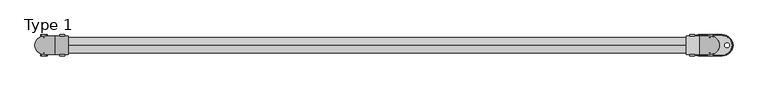
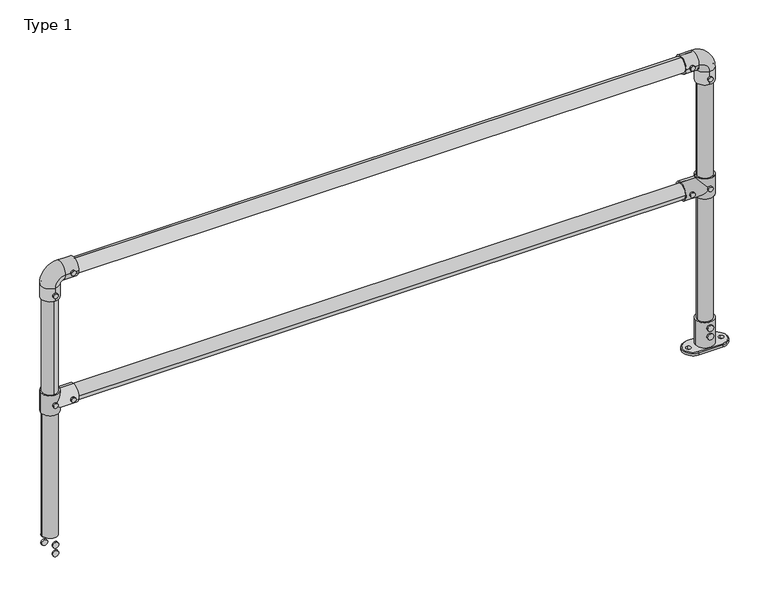
"""IFC4 building model written with IfcOpenShell, lengths in millimetres: proxy geometry, Type 1."""

from ifc_helpers import new_model, si_unit, point, frame, frame_2d, origin, origin_2d, place, context, project, spatial, polyline, circle_curve, ellipse_curve, trimmed, segment, composite_curve, outline, extrude, source, transform, mapped, element, save
from ifc_brep_helpers import plane_surface, cylinder_surface, revolved_surface, advanced_brep


def type_1_bad2e9cc(model_context):
    return source(origin(), model_context, "Body", "SolidModel", [
        extrude(outline(composite_curve([segment(trimmed(circle_curve(frame_2d((575.0, 2200.0)), 8.0), [point((575.0, 2208.0))], [point((575.0, 2192.0))], False, "CARTESIAN"), True, "CONTINUOUS"), segment(trimmed(circle_curve(frame_2d((575.0, 2200.0)), 8.0), [point((575.0, 2192.0))], [point((575.0, 2208.0))], False, "CARTESIAN"), True, "CONTINUOUS")], self_intersect=False)), frame((0.0, -35.0, 0.0), z_axis=(0.0, 1.0, 0.0), x_axis=(0.0, 0.0, 1.0)), (0.0, 0.0, 1.0), 5.0),
        extrude(outline(composite_curve([segment(trimmed(circle_curve(frame_2d((575.0, 2140.0)), 8.0), [point((575.0, 2148.0))], [point((575.0, 2132.0))], False, "CARTESIAN"), True, "CONTINUOUS"), segment(trimmed(circle_curve(frame_2d((575.0, 2140.0)), 8.0), [point((575.0, 2132.0))], [point((575.0, 2148.0))], False, "CARTESIAN"), True, "CONTINUOUS")], self_intersect=False)), frame((0.0, -35.0, 0.0), z_axis=(0.0, 1.0, 0.0), x_axis=(0.0, 0.0, 1.0)), (0.0, 0.0, 1.0), 5.0),
        extrude(outline(composite_curve([segment(trimmed(circle_curve(frame_2d((575.0, 2200.0)), 8.0), [point((575.0, 2208.0))], [point((575.0, 2192.0))], False, "CARTESIAN"), True, "CONTINUOUS"), segment(trimmed(circle_curve(frame_2d((575.0, 2200.0)), 8.0), [point((575.0, 2192.0))], [point((575.0, 2208.0))], False, "CARTESIAN"), True, "CONTINUOUS")], self_intersect=False)), frame((0.0, 30.0, 0.0), z_axis=(0.0, 1.0, 0.0), x_axis=(0.0, 0.0, 1.0)), (0.0, 0.0, 1.0), 5.0),
        extrude(outline(composite_curve([segment(trimmed(circle_curve(frame_2d((575.0, 2140.0)), 8.0), [point((575.0, 2148.0))], [point((575.0, 2132.0))], False, "CARTESIAN"), True, "CONTINUOUS"), segment(trimmed(circle_curve(frame_2d((575.0, 2140.0)), 8.0), [point((575.0, 2132.0))], [point((575.0, 2148.0))], False, "CARTESIAN"), True, "CONTINUOUS")], self_intersect=False)), frame((0.0, 30.0, 0.0), z_axis=(0.0, 1.0, 0.0), x_axis=(0.0, 0.0, 1.0)), (0.0, 0.0, 1.0), 5.0),
        advanced_brep(
        [(2230.0, 0.0, 610.0), (2170.0, 0.0, 610.0), (2200.0, 25.0, 610.0), (2200.0, -25.0, 610.0), (2230.0, 0.0, 540.0), (2170.0, 0.0, 540.0), (2200.0, -25.0, 540.0), (2200.0, 25.0, 540.0), (2170.0, 0.0, 545.0), (2200.0, 30.0, 575.0), (2170.0, 0.0, 605.0), (2200.0, -30.0, 575.0), (2120.0, 0.0, 545.0), (2120.0, 0.0, 605.0), (2120.0, 0.0, 600.0), (2120.0, 0.0, 550.0), (2175.0, 0.0, 600.0), (2200.0, -25.0, 575.0), (2175.0, 0.0, 550.0), (2200.0, 25.0, 575.0)],
        [
            (0, 1, circle_curve(frame((2200.0, 0.0, 610.0), z_axis=(0.0, 0.0, 1.0), x_axis=(-1.0, 0.0, 0.0)), 30.0)),
            (1, 0, circle_curve(frame((2200.0, 0.0, 610.0), z_axis=(0.0, 0.0, 1.0), x_axis=(-1.0, 0.0, 0.0)), 30.0)),
            (2, 3, circle_curve(frame((2200.0, 0.0, 610.0), z_axis=(0.0, 0.0, -1.0), x_axis=(0.0, -1.0, 0.0)), 25.0)),
            (3, 2, circle_curve(frame((2200.0, 0.0, 610.0), z_axis=(0.0, 0.0, -1.0), x_axis=(0.0, -1.0, 0.0)), 25.0)),
            (4, 5, circle_curve(frame((2200.0, 0.0, 540.0), z_axis=(0.0, 0.0, -1.0), x_axis=(-1.0, 0.0, 0.0)), 30.0)),
            (5, 4, circle_curve(frame((2200.0, 0.0, 540.0), z_axis=(0.0, 0.0, -1.0), x_axis=(-1.0, 0.0, 0.0)), 30.0)),
            (6, 7, circle_curve(frame((2200.0, 0.0, 540.0), z_axis=(0.0, 0.0, 1.0), x_axis=(0.0, -1.0, 0.0)), 25.0)),
            (7, 6, circle_curve(frame((2200.0, 0.0, 540.0), z_axis=(0.0, 0.0, 1.0), x_axis=(0.0, -1.0, 0.0)), 25.0)),
            (0, 4),
            (5, 8),
            (8, 9, ellipse_curve(frame((2200.0, 0.0, 575.0), z_axis=(0.7071067811865458, 0.0, -0.7071067811865492), x_axis=(0.7071067811865492, 0.0, 0.7071067811865458)), 42.4264069, 30.0)),
            (9, 10, ellipse_curve(frame((2200.0, 0.0, 575.0), z_axis=(0.7071067811865492, 0.0, 0.7071067811865458), x_axis=(-0.7071067811865458, 0.0, 0.7071067811865492)), 42.4264069, 30.0)),
            (10, 1),
            (10, 11, ellipse_curve(frame((2200.0, 0.0, 575.0), z_axis=(0.7071067811865492, 0.0, 0.7071067811865458), x_axis=(-0.7071067811865458, 0.0, 0.7071067811865492)), 42.4264069, 30.0)),
            (11, 8, ellipse_curve(frame((2200.0, 0.0, 575.0), z_axis=(0.7071067811865458, 0.0, -0.7071067811865492), x_axis=(0.7071067811865492, 0.0, 0.7071067811865458)), 42.4264069, 30.0)),
            (12, 13, circle_curve(frame((2120.0, 0.0, 575.0), z_axis=(-1.0, 0.0, 0.0), x_axis=(0.0, 0.0, 1.0)), 30.0)),
            (13, 12, circle_curve(frame((2120.0, 0.0, 575.0), z_axis=(-1.0, 0.0, 0.0), x_axis=(0.0, 0.0, 1.0)), 30.0)),
            (14, 15, circle_curve(frame((2120.0, 0.0, 575.0), z_axis=(1.0, 0.0, 0.0), x_axis=(0.0, 0.0, -1.0)), 25.0)),
            (15, 14, circle_curve(frame((2120.0, 0.0, 575.0), z_axis=(1.0, 0.0, 0.0), x_axis=(0.0, 0.0, -1.0)), 25.0)),
            (12, 8),
            (10, 13),
            (14, 16),
            (16, 17, ellipse_curve(frame((2200.0, 0.0, 575.0), z_axis=(0.7071067811865492, 0.0, 0.7071067811865458), x_axis=(0.7071067811865458, 0.0, -0.7071067811865492)), 35.3553391, 25.0)),
            (17, 18, ellipse_curve(frame((2200.0, 0.0, 575.0), z_axis=(0.7071067811865458, 0.0, -0.7071067811865492), x_axis=(0.7071067811865492, 0.0, 0.7071067811865457)), 35.3553391, 25.0)),
            (18, 15),
            (18, 19, ellipse_curve(frame((2200.0, 0.0, 575.0), z_axis=(0.7071067811865458, 0.0, -0.7071067811865492), x_axis=(0.7071067811865492, 0.0, 0.7071067811865457)), 35.3553391, 25.0)),
            (19, 16, ellipse_curve(frame((2200.0, 0.0, 575.0), z_axis=(0.7071067811865492, 0.0, 0.7071067811865458), x_axis=(0.7071067811865458, 0.0, -0.7071067811865492)), 35.3553391, 25.0)),
            (2, 19),
            (19, 7),
            (6, 17),
            (17, 3),
        ],
        [
            plane_surface(frame((2170.0, 0.0, 610.0), z_axis=(0.0, 0.0, 1.0), x_axis=(0.0, -1.0, 0.0))),
            plane_surface(frame((2170.0, 0.0, 540.0), z_axis=(0.0, 0.0, -1.0), x_axis=(0.0, 1.0, 0.0))),
            cylinder_surface(frame((2200.0, 0.0, 540.0), z_axis=(0.0, 0.0, 1.0), x_axis=(-1.0, 0.0, 0.0)), 30.0),
            plane_surface(frame((2120.0, 0.0, 605.0), z_axis=(-1.0, 0.0, 0.0), x_axis=(0.0, 1.0, 0.0))),
            cylinder_surface(frame((2200.0, 0.0, 575.0), z_axis=(-1.0, 0.0, 0.0), x_axis=(0.0, 0.0, 1.0)), 30.0),
            revolved_surface(polyline([(2225.00000002876, 0.0, 550.0), (2120.0, 0.0, 550.0)]), (2120.0, 0.0, 575.0), (1.0, 0.0, 0.0)),
            revolved_surface(polyline([(2200.0, -25.0, 540.0), (2200.0, -25.0, 610.0)]), (2200.0, 0.0, 610.0), (0.0, 0.0, -1.0)),
            revolved_surface(polyline([(2200.0, -25.0, 549.9999999712401), (2200.0, -25.0, 610.0)]), (2200.0, 0.0, 610.0), (0.0, 0.0, -1.0)),
            revolved_surface(polyline([(2200.0, -25.0, 540.0), (2200.0, -25.0, 600.0000000287598)]), (2200.0, 0.0, 610.0), (0.0, 0.0, -1.0)),
        ],
        [
            (0, [[1, 2], [3, 4]]),
            (1, [[5, 6], [7, 8]]),
            (2, [[-1, 9, -6, 10, 11, 12, 13]]),
            (2, [[-2, -13, 14, 15, -10, -5, -9]]),
            (3, [[16, 17], [18, 19]]),
            (4, [[-16, 20, -15, -14, 21]]),
            (4, [[-17, -21, -12, -11, -20]]),
            (5, [[-18, 22, 23, 24, 25]]),
            (5, [[-19, -25, 26, 27, -22]]),
            (6, [[28, 29, -7, 30, 31, -3]]),
            (7, [[-28, -4, -31, -23, -27]]),
            (8, [[-29, -26, -24, -30, -8]]),
        ],
    ),
        extrude(outline(composite_curve([segment(trimmed(circle_curve(frame_2d((575.0, 0.0)), 8.0), [point((575.0, -8.0))], [point((575.0, 8.0))], False, "CARTESIAN"), True, "CONTINUOUS"), segment(trimmed(circle_curve(frame_2d((575.0, 0.0)), 8.0), [point((575.0, 8.0))], [point((575.0, -8.0))], False, "CARTESIAN"), True, "CONTINUOUS")], self_intersect=False)), frame((0.0, -35.0, 0.0), z_axis=(0.0, 1.0, 0.0), x_axis=(0.0, 0.0, 1.0)), (0.0, 0.0, 1.0), 5.0),
        extrude(outline(composite_curve([segment(trimmed(circle_curve(frame_2d((575.0, 60.0)), 8.0), [point((575.0, 52.0))], [point((575.0, 68.0))], False, "CARTESIAN"), True, "CONTINUOUS"), segment(trimmed(circle_curve(frame_2d((575.0, 60.0)), 8.0), [point((575.0, 68.0))], [point((575.0, 52.0))], False, "CARTESIAN"), True, "CONTINUOUS")], self_intersect=False)), frame((0.0, -35.0, 0.0), z_axis=(0.0, 1.0, 0.0), x_axis=(0.0, 0.0, 1.0)), (0.0, 0.0, 1.0), 5.0),
        extrude(outline(composite_curve([segment(trimmed(circle_curve(frame_2d((575.0, 0.0)), 8.0), [point((575.0, -8.0))], [point((575.0, 8.0))], False, "CARTESIAN"), True, "CONTINUOUS"), segment(trimmed(circle_curve(frame_2d((575.0, 0.0)), 8.0), [point((575.0, 8.0))], [point((575.0, -8.0))], False, "CARTESIAN"), True, "CONTINUOUS")], self_intersect=False)), frame((0.0, 30.0, 0.0), z_axis=(0.0, 1.0, 0.0), x_axis=(0.0, 0.0, 1.0)), (0.0, 0.0, 1.0), 5.0),
        extrude(outline(composite_curve([segment(trimmed(circle_curve(frame_2d((575.0, 60.0)), 8.0), [point((575.0, 52.0))], [point((575.0, 68.0))], False, "CARTESIAN"), True, "CONTINUOUS"), segment(trimmed(circle_curve(frame_2d((575.0, 60.0)), 8.0), [point((575.0, 68.0))], [point((575.0, 52.0))], False, "CARTESIAN"), True, "CONTINUOUS")], self_intersect=False)), frame((0.0, 30.0, 0.0), z_axis=(0.0, 1.0, 0.0), x_axis=(0.0, 0.0, 1.0)), (0.0, 0.0, 1.0), 5.0),
        advanced_brep(
        [(-30.0, 0.0, 610.0), (30.0, 0.0, 610.0), (0.0, 25.0, 610.0), (0.0, -25.0, 610.0), (-30.0, 0.0, 540.0), (30.0, 0.0, 540.0), (0.0, -25.0, 540.0), (0.0, 25.0, 540.0), (30.0, 0.0, 605.0), (0.0, 30.0, 575.0), (30.0, 0.0, 545.0), (0.0, -30.0, 575.0), (80.0, 0.0, 545.0), (80.0, 0.0, 605.0), (80.0, 0.0, 600.0), (80.0, 0.0, 550.0), (25.0, 0.0, 550.0), (0.0, -25.0, 575.0), (25.0, 0.0, 600.0), (0.0, 25.0, 575.0)],
        [
            (0, 1, circle_curve(frame((0.0, 0.0, 610.0), z_axis=(0.0, 0.0, 1.0), x_axis=(1.0, 0.0, 0.0)), 30.0)),
            (1, 0, circle_curve(frame((0.0, 0.0, 610.0), z_axis=(0.0, 0.0, 1.0), x_axis=(1.0, 0.0, 0.0)), 30.0)),
            (2, 3, circle_curve(frame((0.0, 0.0, 610.0), z_axis=(0.0, 0.0, -1.0), x_axis=(0.0, -1.0, 0.0)), 25.0)),
            (3, 2, circle_curve(frame((0.0, 0.0, 610.0), z_axis=(0.0, 0.0, -1.0), x_axis=(0.0, -1.0, 0.0)), 25.0)),
            (4, 5, circle_curve(frame((0.0, 0.0, 540.0), z_axis=(0.0, 0.0, -1.0), x_axis=(1.0, 0.0, 0.0)), 30.0)),
            (5, 4, circle_curve(frame((0.0, 0.0, 540.0), z_axis=(0.0, 0.0, -1.0), x_axis=(1.0, 0.0, 0.0)), 30.0)),
            (6, 7, circle_curve(frame((0.0, 0.0, 540.0), z_axis=(0.0, 0.0, 1.0), x_axis=(0.0, -1.0, 0.0)), 25.0)),
            (7, 6, circle_curve(frame((0.0, 0.0, 540.0), z_axis=(0.0, 0.0, 1.0), x_axis=(0.0, -1.0, 0.0)), 25.0)),
            (1, 8),
            (8, 9, ellipse_curve(frame((0.0, 0.0, 575.0), z_axis=(-0.7071067811865447, 0.0, 0.7071067811865503), x_axis=(0.7071067811865503, 0.0, 0.7071067811865447)), 42.4264069, 30.0)),
            (9, 10, ellipse_curve(frame((0.0, 0.0, 575.0), z_axis=(-0.7071067811865503, 0.0, -0.7071067811865447), x_axis=(-0.7071067811865447, 0.0, 0.7071067811865503)), 42.4264069, 30.0)),
            (10, 5),
            (4, 0),
            (10, 11, ellipse_curve(frame((0.0, 0.0, 575.0), z_axis=(-0.7071067811865503, 0.0, -0.7071067811865447), x_axis=(-0.7071067811865447, 0.0, 0.7071067811865503)), 42.4264069, 30.0)),
            (11, 8, ellipse_curve(frame((0.0, 0.0, 575.0), z_axis=(-0.7071067811865447, 0.0, 0.7071067811865503), x_axis=(0.7071067811865503, 0.0, 0.7071067811865447)), 42.4264069, 30.0)),
            (12, 13, circle_curve(frame((80.0, 0.0, 575.0), z_axis=(1.0, 0.0, 0.0), x_axis=(0.0, 0.0, 1.0)), 30.0)),
            (13, 12, circle_curve(frame((80.0, 0.0, 575.0), z_axis=(1.0, 0.0, 0.0), x_axis=(0.0, 0.0, 1.0)), 30.0)),
            (14, 15, circle_curve(frame((80.0, 0.0, 575.0), z_axis=(-1.0, 0.0, 0.0), x_axis=(0.0, 0.0, -1.0)), 25.0)),
            (15, 14, circle_curve(frame((80.0, 0.0, 575.0), z_axis=(-1.0, 0.0, 0.0), x_axis=(0.0, 0.0, -1.0)), 25.0)),
            (13, 8),
            (10, 12),
            (15, 16),
            (16, 17, ellipse_curve(frame((0.0, 0.0, 575.0), z_axis=(-0.7071067811865503, 0.0, -0.7071067811865447), x_axis=(-0.7071067811865447, 0.0, 0.7071067811865503)), 35.3553391, 25.0)),
            (17, 18, ellipse_curve(frame((0.0, 0.0, 575.0), z_axis=(-0.7071067811865447, 0.0, 0.7071067811865503), x_axis=(-0.7071067811865503, 0.0, -0.7071067811865447)), 35.3553391, 25.0)),
            (18, 14),
            (18, 19, ellipse_curve(frame((0.0, 0.0, 575.0), z_axis=(-0.7071067811865447, 0.0, 0.7071067811865503), x_axis=(-0.7071067811865503, 0.0, -0.7071067811865447)), 35.3553391, 25.0)),
            (19, 16, ellipse_curve(frame((0.0, 0.0, 575.0), z_axis=(-0.7071067811865503, 0.0, -0.7071067811865447), x_axis=(-0.7071067811865447, 0.0, 0.7071067811865503)), 35.3553391, 25.0)),
            (3, 17),
            (17, 6),
            (7, 19),
            (19, 2),
        ],
        [
            plane_surface(frame((30.0, 0.0, 610.0), z_axis=(0.0, 0.0, 1.0), x_axis=(0.0, -1.0, 0.0))),
            plane_surface(frame((30.0, 0.0, 540.0), z_axis=(0.0, 0.0, -1.0), x_axis=(0.0, 1.0, 0.0))),
            cylinder_surface(frame((0.0, 0.0, 540.0), z_axis=(0.0, 0.0, 1.0), x_axis=(1.0, 0.0, 0.0)), 30.0),
            plane_surface(frame((80.0, 0.0, 605.0), z_axis=(1.0, 0.0, 0.0), x_axis=(0.0, 1.0, 0.0))),
            cylinder_surface(frame((0.0, 0.0, 575.0), z_axis=(1.0, 0.0, 0.0), x_axis=(0.0, 0.0, 1.0)), 30.0),
            revolved_surface(polyline([(-25.000000028759985, 0.0, 550.0), (80.0, 0.0, 550.0)]), (80.0, 0.0, 575.0), (-1.0, 0.0, 0.0)),
            revolved_surface(polyline([(0.0, -25.0, 540.0), (0.0, -25.0, 610.0)]), (0.0, 0.0, 610.0), (0.0, 0.0, -1.0)),
            revolved_surface(polyline([(0.0, -25.0, 540.0), (0.0, -25.0, 600.00000002876)]), (0.0, 0.0, 610.0), (0.0, 0.0, -1.0)),
            revolved_surface(polyline([(0.0, -25.0, 549.9999999712402), (0.0, -25.0, 610.0)]), (0.0, 0.0, 610.0), (0.0, 0.0, -1.0)),
        ],
        [
            (0, [[1, 2], [3, 4]]),
            (1, [[5, 6], [7, 8]]),
            (2, [[9, 10, 11, 12, -5, 13, -2]]),
            (2, [[-13, -6, -12, 14, 15, -9, -1]]),
            (3, [[16, 17], [18, 19]]),
            (4, [[20, -15, -14, 21, -17]]),
            (4, [[-21, -11, -10, -20, -16]]),
            (5, [[22, 23, 24, 25, -19]]),
            (5, [[-25, 26, 27, -22, -18]]),
            (6, [[-4, 28, 29, -8, 30, 31]]),
            (7, [[-7, -29, -23, -27, -30]]),
            (8, [[-26, -24, -28, -3, -31]]),
        ],
    ),
        extrude(outline(composite_curve([segment(trimmed(circle_curve(frame_2d((1025.0, 2140.0)), 8.0), [point((1025.0, 2148.0))], [point((1025.0, 2132.0))], False, "CARTESIAN"), True, "CONTINUOUS"), segment(trimmed(circle_curve(frame_2d((1025.0, 2140.0)), 8.0), [point((1025.0, 2132.0))], [point((1025.0, 2148.0))], False, "CARTESIAN"), True, "CONTINUOUS")], self_intersect=False)), frame((0.0, 30.0, 0.0), z_axis=(0.0, 1.0, 0.0), x_axis=(0.0, 0.0, 1.0)), (0.0, 0.0, 1.0), 5.0),
        extrude(outline(composite_curve([segment(trimmed(circle_curve(frame_2d((965.0, 2200.0)), 8.0), [point((965.0, 2208.0))], [point((965.0, 2192.0))], False, "CARTESIAN"), True, "CONTINUOUS"), segment(trimmed(circle_curve(frame_2d((965.0, 2200.0)), 8.0), [point((965.0, 2192.0))], [point((965.0, 2208.0))], False, "CARTESIAN"), True, "CONTINUOUS")], self_intersect=False)), frame((0.0, 30.0, 0.0), z_axis=(0.0, 1.0, 0.0), x_axis=(0.0, 0.0, 1.0)), (0.0, 0.0, 1.0), 5.0),
        extrude(outline(composite_curve([segment(trimmed(circle_curve(frame_2d((1025.0, 2140.0)), 8.0), [point((1025.0, 2148.0))], [point((1025.0, 2132.0))], False, "CARTESIAN"), True, "CONTINUOUS"), segment(trimmed(circle_curve(frame_2d((1025.0, 2140.0)), 8.0), [point((1025.0, 2132.0))], [point((1025.0, 2148.0))], False, "CARTESIAN"), True, "CONTINUOUS")], self_intersect=False)), frame((0.0, -35.0, 0.0), z_axis=(0.0, 1.0, 0.0), x_axis=(0.0, 0.0, 1.0)), (0.0, 0.0, 1.0), 5.0),
        extrude(outline(composite_curve([segment(trimmed(circle_curve(frame_2d((965.0, 2200.0)), 8.0), [point((965.0, 2208.0))], [point((965.0, 2192.0))], False, "CARTESIAN"), True, "CONTINUOUS"), segment(trimmed(circle_curve(frame_2d((965.0, 2200.0)), 8.0), [point((965.0, 2192.0))], [point((965.0, 2208.0))], False, "CARTESIAN"), True, "CONTINUOUS")], self_intersect=False)), frame((0.0, -35.0, 0.0), z_axis=(0.0, 1.0, 0.0), x_axis=(0.0, 0.0, 1.0)), (0.0, 0.0, 1.0), 5.0),
        advanced_brep(
        [(2200.0, -30.0, 945.0), (2200.0, 30.0, 945.0), (2200.0, -25.0, 945.0), (2200.0, 25.0, 945.0), (2200.0, 30.0, 990.0), (2200.0, -30.0, 990.0), (2165.0, 30.0, 1025.0), (2165.0, -30.0, 1025.0), (2120.0, -30.0, 1025.0), (2120.0, 30.0, 1025.0), (2120.0, -25.0, 1025.0), (2120.0, 25.0, 1025.0), (2200.0, 25.0, 990.0), (2200.0, -25.0, 990.0), (2165.0, 25.0, 1025.0), (2165.0, -25.0, 1025.0)],
        [
            (0, 1, circle_curve(frame((2200.0, 0.0, 945.0), z_axis=(0.0, 0.0, -1.0), x_axis=(0.0, 1.0, 0.0)), 30.0)),
            (1, 0, circle_curve(frame((2200.0, 0.0, 945.0), z_axis=(0.0, 0.0, -1.0), x_axis=(0.0, 1.0, 0.0)), 30.0)),
            (2, 3, circle_curve(frame((2200.0, 0.0, 945.0), z_axis=(0.0, 0.0, 1.0), x_axis=(0.0, 1.0, 0.0)), 25.0)),
            (3, 2, circle_curve(frame((2200.0, 0.0, 945.0), z_axis=(0.0, 0.0, 1.0), x_axis=(0.0, 1.0, 0.0)), 25.0)),
            (1, 4),
            (4, 5, circle_curve(frame((2200.0, 0.0, 990.0), z_axis=(0.0, 0.0, -1.0), x_axis=(0.0, 1.0, 0.0)), 30.0)),
            (5, 0),
            (5, 4, circle_curve(frame((2200.0, 0.0, 990.0), z_axis=(0.0, 0.0, -1.0), x_axis=(0.0, 1.0, 0.0)), 30.0)),
            (6, 7, circle_curve(frame((2165.0, 0.0, 1025.0), z_axis=(1.0, 0.0, 0.0), x_axis=(0.0, 1.0, 0.0)), 30.0)),
            (7, 5, circle_curve(frame((2165.0, -30.0, 990.0), z_axis=(0.0, 1.0, 0.0), x_axis=(1.0, 0.0, 0.0)), 35.0)),
            (4, 6, circle_curve(frame((2165.0, 30.0, 990.0), z_axis=(0.0, -1.0, 0.0), x_axis=(1.0, 0.0, 0.0)), 35.0)),
            (7, 6, circle_curve(frame((2165.0, 0.0, 1025.0), z_axis=(1.0, 0.0, 0.0), x_axis=(0.0, 1.0, 0.0)), 30.0)),
            (8, 9, circle_curve(frame((2120.0, 0.0, 1025.0), z_axis=(-1.0, 0.0, 0.0), x_axis=(0.0, 1.0, 0.0)), 30.0)),
            (9, 8, circle_curve(frame((2120.0, 0.0, 1025.0), z_axis=(-1.0, 0.0, 0.0), x_axis=(0.0, 1.0, 0.0)), 30.0)),
            (10, 11, circle_curve(frame((2120.0, 0.0, 1025.0), z_axis=(1.0, 0.0, 0.0), x_axis=(0.0, 1.0, 0.0)), 25.0)),
            (11, 10, circle_curve(frame((2120.0, 0.0, 1025.0), z_axis=(1.0, 0.0, 0.0), x_axis=(0.0, 1.0, 0.0)), 25.0)),
            (6, 9),
            (8, 7),
            (3, 12),
            (12, 13, circle_curve(frame((2200.0, 0.0, 990.0), z_axis=(0.0, 0.0, 1.0), x_axis=(0.0, 1.0, 0.0)), 25.0)),
            (13, 2),
            (13, 12, circle_curve(frame((2200.0, 0.0, 990.0), z_axis=(0.0, 0.0, 1.0), x_axis=(0.0, 1.0, 0.0)), 25.0)),
            (14, 15, circle_curve(frame((2165.0, 0.0, 1025.0), z_axis=(-1.0, 0.0, 0.0), x_axis=(0.0, 1.0, 0.0)), 25.0)),
            (15, 13, circle_curve(frame((2165.0, -25.0, 990.0), z_axis=(0.0, 1.0, 0.0), x_axis=(1.0, 0.0, 0.0)), 35.0)),
            (12, 14, circle_curve(frame((2165.0, 25.0, 990.0), z_axis=(0.0, -1.0, 0.0), x_axis=(1.0, 0.0, 0.0)), 35.0)),
            (15, 14, circle_curve(frame((2165.0, 0.0, 1025.0), z_axis=(-1.0, 0.0, 0.0), x_axis=(0.0, 1.0, 0.0)), 25.0)),
            (14, 11),
            (10, 15),
        ],
        [
            plane_surface(frame((2170.0, 0.0, 945.0), z_axis=(0.0, 0.0, -1.0), x_axis=(0.0, -1.0, 0.0))),
            cylinder_surface(frame((2200.0, 0.0, 945.0), z_axis=(0.0, 0.0, -1.0), x_axis=(0.0, 1.0, 0.0)), 30.0),
            revolved_surface(trimmed(ellipse_curve(frame((2200.0, 0.0, 990.0), z_axis=(0.0, 0.0, 1.0), x_axis=(0.0, 1.0, 0.0)), 30.0, 30.0), [point((2200.0, -30.0, 990.0))], [point((2200.0, 30.0, 990.0))], True, "CARTESIAN"), (2165.0, 0.0, 990.0), (0.0, 1.0, 0.0)),
            revolved_surface(trimmed(ellipse_curve(frame((2200.0, 0.0, 990.0), z_axis=(0.0, 0.0, 1.0), x_axis=(0.0, 1.0, 0.0)), 30.0, 30.0), [point((2200.0, 30.0, 990.0))], [point((2200.0, -30.0, 990.0))], True, "CARTESIAN"), (2165.0, 0.0, 990.0), (0.0, 1.0, 0.0)),
            plane_surface(frame((2120.0, 0.0, 995.0), z_axis=(-1.0, 0.0, 0.0), x_axis=(0.0, -1.0, 0.0))),
            cylinder_surface(frame((2165.0, 0.0, 1025.0), z_axis=(1.0, 0.0, 0.0), x_axis=(0.0, 1.0, 0.0)), 30.0),
            revolved_surface(polyline([(2200.0, 25.0, 990.0), (2200.0, 25.0, 945.0)]), (2200.0, 0.0, 945.0), (0.0, 0.0, 1.0)),
            revolved_surface(trimmed(ellipse_curve(frame((2200.0, 0.0, 990.0), z_axis=(0.0, 0.0, -1.0), x_axis=(0.0, 1.0, 0.0)), 25.0, 25.0), [point((2200.0, -25.0, 990.0))], [point((2200.0, 25.0, 990.0))], True, "CARTESIAN"), (2165.0, 0.0, 990.0), (0.0, 1.0, 0.0)),
            revolved_surface(trimmed(ellipse_curve(frame((2200.0, 0.0, 990.0), z_axis=(0.0, 0.0, -1.0), x_axis=(0.0, 1.0, 0.0)), 25.0, 25.0), [point((2200.0, 25.0, 990.0))], [point((2200.0, -25.0, 990.0))], True, "CARTESIAN"), (2165.0, 0.0, 990.0), (0.0, 1.0, 0.0)),
            revolved_surface(polyline([(2120.0, 25.0, 1025.0), (2165.0, 25.0, 1025.0)]), (2165.0, 0.0, 1025.0), (-1.0, 0.0, 0.0)),
        ],
        [
            (0, [[1, 2], [3, 4]]),
            (1, [[5, 6, 7, -2]]),
            (1, [[-7, 8, -5, -1]]),
            (2, [[9, 10, -6, 11]]),
            (3, [[12, -11, -8, -10]]),
            (4, [[13, 14], [15, 16]]),
            (5, [[17, -13, 18, -9]]),
            (5, [[-18, -14, -17, -12]]),
            (6, [[19, 20, 21, -4]]),
            (6, [[-21, 22, -19, -3]]),
            (7, [[23, 24, -20, 25]]),
            (8, [[26, -25, -22, -24]]),
            (9, [[27, -15, 28, -23]]),
            (9, [[-28, -16, -27, -26]]),
        ],
    ),
        extrude(outline(composite_curve([segment(trimmed(circle_curve(frame_2d((1025.0, 60.0)), 8.0), [point((1025.0, 52.0))], [point((1025.0, 68.0))], False, "CARTESIAN"), True, "CONTINUOUS"), segment(trimmed(circle_curve(frame_2d((1025.0, 60.0)), 8.0), [point((1025.0, 68.0))], [point((1025.0, 52.0))], False, "CARTESIAN"), True, "CONTINUOUS")], self_intersect=False)), frame((0.0, 30.0, 0.0), z_axis=(0.0, 1.0, 0.0), x_axis=(0.0, 0.0, 1.0)), (0.0, 0.0, 1.0), 5.0),
        extrude(outline(composite_curve([segment(trimmed(circle_curve(frame_2d((965.0, 0.0)), 8.0), [point((965.0, -8.0))], [point((965.0, 8.0))], False, "CARTESIAN"), True, "CONTINUOUS"), segment(trimmed(circle_curve(frame_2d((965.0, 0.0)), 8.0), [point((965.0, 8.0))], [point((965.0, -8.0))], False, "CARTESIAN"), True, "CONTINUOUS")], self_intersect=False)), frame((0.0, 30.0, 0.0), z_axis=(0.0, 1.0, 0.0), x_axis=(0.0, 0.0, 1.0)), (0.0, 0.0, 1.0), 5.0),
        extrude(outline(composite_curve([segment(trimmed(circle_curve(frame_2d((1025.0, 60.0)), 8.0), [point((1025.0, 52.0))], [point((1025.0, 68.0))], False, "CARTESIAN"), True, "CONTINUOUS"), segment(trimmed(circle_curve(frame_2d((1025.0, 60.0)), 8.0), [point((1025.0, 68.0))], [point((1025.0, 52.0))], False, "CARTESIAN"), True, "CONTINUOUS")], self_intersect=False)), frame((0.0, -35.0, 0.0), z_axis=(0.0, 1.0, 0.0), x_axis=(0.0, 0.0, 1.0)), (0.0, 0.0, 1.0), 5.0),
        extrude(outline(composite_curve([segment(trimmed(circle_curve(frame_2d((965.0, 0.0)), 8.0), [point((965.0, -8.0))], [point((965.0, 8.0))], False, "CARTESIAN"), True, "CONTINUOUS"), segment(trimmed(circle_curve(frame_2d((965.0, 0.0)), 8.0), [point((965.0, 8.0))], [point((965.0, -8.0))], False, "CARTESIAN"), True, "CONTINUOUS")], self_intersect=False)), frame((0.0, -35.0, 0.0), z_axis=(0.0, 1.0, 0.0), x_axis=(0.0, 0.0, 1.0)), (0.0, 0.0, 1.0), 5.0),
        advanced_brep(
        [(0.0, -30.0, 945.0), (0.0, 30.0, 945.0), (0.0, -25.0, 945.0), (0.0, 25.0, 945.0), (0.0, -30.0, 990.0), (0.0, 30.0, 990.0), (35.0, 30.0, 1025.0), (35.0, -30.0, 1025.0), (80.0, -30.0, 1025.0), (80.0, 30.0, 1025.0), (80.0, -25.0, 1025.0), (80.0, 25.0, 1025.0), (0.0, -25.0, 990.0), (0.0, 25.0, 990.0), (35.0, 25.0, 1025.0), (35.0, -25.0, 1025.0)],
        [
            (0, 1, circle_curve(frame((0.0, 0.0, 945.0), z_axis=(0.0, 0.0, -1.0), x_axis=(0.0, 1.0, 0.0)), 30.0)),
            (1, 0, circle_curve(frame((0.0, 0.0, 945.0), z_axis=(0.0, 0.0, -1.0), x_axis=(0.0, 1.0, 0.0)), 30.0)),
            (2, 3, circle_curve(frame((0.0, 0.0, 945.0), z_axis=(0.0, 0.0, 1.0), x_axis=(0.0, 1.0, 0.0)), 25.0)),
            (3, 2, circle_curve(frame((0.0, 0.0, 945.0), z_axis=(0.0, 0.0, 1.0), x_axis=(0.0, 1.0, 0.0)), 25.0)),
            (0, 4),
            (4, 5, circle_curve(frame((0.0, 0.0, 990.0), z_axis=(0.0, 0.0, -1.0), x_axis=(0.0, 1.0, 0.0)), 30.0)),
            (5, 1),
            (5, 4, circle_curve(frame((0.0, 0.0, 990.0), z_axis=(0.0, 0.0, -1.0), x_axis=(0.0, 1.0, 0.0)), 30.0)),
            (6, 5, circle_curve(frame((35.0, 30.0, 990.0), z_axis=(0.0, -1.0, 0.0), x_axis=(-1.0, 0.0, 0.0)), 35.0)),
            (4, 7, circle_curve(frame((35.0, -30.0, 990.0), z_axis=(0.0, 1.0, 0.0), x_axis=(-1.0, 0.0, 0.0)), 35.0)),
            (7, 6, circle_curve(frame((35.0, 0.0, 1025.0), z_axis=(-1.0, 0.0, 0.0), x_axis=(0.0, 1.0, 0.0)), 30.0)),
            (6, 7, circle_curve(frame((35.0, 0.0, 1025.0), z_axis=(-1.0, 0.0, 0.0), x_axis=(0.0, 1.0, 0.0)), 30.0)),
            (8, 9, circle_curve(frame((80.0, 0.0, 1025.0), z_axis=(1.0, 0.0, 0.0), x_axis=(0.0, 1.0, 0.0)), 30.0)),
            (9, 8, circle_curve(frame((80.0, 0.0, 1025.0), z_axis=(1.0, 0.0, 0.0), x_axis=(0.0, 1.0, 0.0)), 30.0)),
            (10, 11, circle_curve(frame((80.0, 0.0, 1025.0), z_axis=(-1.0, 0.0, 0.0), x_axis=(0.0, 1.0, 0.0)), 25.0)),
            (11, 10, circle_curve(frame((80.0, 0.0, 1025.0), z_axis=(-1.0, 0.0, 0.0), x_axis=(0.0, 1.0, 0.0)), 25.0)),
            (7, 8),
            (9, 6),
            (2, 12),
            (12, 13, circle_curve(frame((0.0, 0.0, 990.0), z_axis=(0.0, 0.0, 1.0), x_axis=(0.0, 1.0, 0.0)), 25.0)),
            (13, 3),
            (13, 12, circle_curve(frame((0.0, 0.0, 990.0), z_axis=(0.0, 0.0, 1.0), x_axis=(0.0, 1.0, 0.0)), 25.0)),
            (14, 13, circle_curve(frame((35.0, 25.0, 990.0), z_axis=(0.0, -1.0, 0.0), x_axis=(-1.0, 0.0, 0.0)), 35.0)),
            (12, 15, circle_curve(frame((35.0, -25.0, 990.0), z_axis=(0.0, 1.0, 0.0), x_axis=(-1.0, 0.0, 0.0)), 35.0)),
            (15, 14, circle_curve(frame((35.0, 0.0, 1025.0), z_axis=(1.0, 0.0, 0.0), x_axis=(0.0, 1.0, 0.0)), 25.0)),
            (14, 15, circle_curve(frame((35.0, 0.0, 1025.0), z_axis=(1.0, 0.0, 0.0), x_axis=(0.0, 1.0, 0.0)), 25.0)),
            (15, 10),
            (11, 14),
        ],
        [
            plane_surface(frame((30.0, 0.0, 945.0), z_axis=(0.0, 0.0, -1.0), x_axis=(0.0, -1.0, 0.0))),
            cylinder_surface(frame((0.0, 0.0, 945.0), z_axis=(0.0, 0.0, -1.0), x_axis=(0.0, 1.0, 0.0)), 30.0),
            revolved_surface(trimmed(ellipse_curve(frame((0.0, 0.0, 990.0), z_axis=(0.0, 0.0, -1.0), x_axis=(0.0, 1.0, 0.0)), 30.0, 30.0), [point((0.0, -30.0, 990.0))], [point((0.0, 30.0, 990.0))], True, "CARTESIAN"), (35.0, 0.0, 990.0), (0.0, 1.0, 0.0)),
            revolved_surface(trimmed(ellipse_curve(frame((0.0, 0.0, 990.0), z_axis=(0.0, 0.0, -1.0), x_axis=(0.0, 1.0, 0.0)), 30.0, 30.0), [point((0.0, 30.0, 990.0))], [point((0.0, -30.0, 990.0))], True, "CARTESIAN"), (35.0, 0.0, 990.0), (0.0, 1.0, 0.0)),
            plane_surface(frame((80.0, 0.0, 995.0), z_axis=(1.0, 0.0, 0.0), x_axis=(0.0, -1.0, 0.0))),
            cylinder_surface(frame((35.0, 0.0, 1025.0), z_axis=(-1.0, 0.0, 0.0), x_axis=(0.0, 1.0, 0.0)), 30.0),
            revolved_surface(polyline([(0.0, 25.0, 990.0), (0.0, 25.0, 945.0)]), (0.0, 0.0, 945.0), (0.0, 0.0, 1.0)),
            revolved_surface(trimmed(ellipse_curve(frame((0.0, 0.0, 990.0), z_axis=(0.0, 0.0, 1.0), x_axis=(0.0, 1.0, 0.0)), 25.0, 25.0), [point((0.0, -25.0, 990.0))], [point((0.0, 25.0, 990.0))], True, "CARTESIAN"), (35.0, 0.0, 990.0), (0.0, 1.0, 0.0)),
            revolved_surface(trimmed(ellipse_curve(frame((0.0, 0.0, 990.0), z_axis=(0.0, 0.0, 1.0), x_axis=(0.0, 1.0, 0.0)), 25.0, 25.0), [point((0.0, 25.0, 990.0))], [point((0.0, -25.0, 990.0))], True, "CARTESIAN"), (35.0, 0.0, 990.0), (0.0, 1.0, 0.0)),
            revolved_surface(polyline([(80.0, 25.0, 1025.0), (35.0, 25.0, 1025.0)]), (35.0, 0.0, 1025.0), (1.0, 0.0, 0.0)),
        ],
        [
            (0, [[1, 2], [3, 4]]),
            (1, [[-1, 5, 6, 7]]),
            (1, [[-2, -7, 8, -5]]),
            (2, [[9, -6, 10, 11]]),
            (3, [[-10, -8, -9, 12]]),
            (4, [[13, 14], [15, 16]]),
            (5, [[-11, 17, -14, 18]]),
            (5, [[-12, -18, -13, -17]]),
            (6, [[-3, 19, 20, 21]]),
            (6, [[-4, -21, 22, -19]]),
            (7, [[23, -20, 24, 25]]),
            (8, [[-24, -22, -23, 26]]),
            (9, [[-25, 27, -16, 28]]),
            (9, [[-26, -28, -15, -27]]),
        ],
    ),
        extrude(outline(composite_curve([segment(trimmed(circle_curve(frame_2d((0.0, 575.0)), 25.0), [point((-25.0, 575.0))], [point((25.0, 575.0))], False, "CARTESIAN"), True, "CONTINUOUS"), segment(trimmed(circle_curve(frame_2d((0.0, 575.0)), 25.0), [point((25.0, 575.0))], [point((-25.0, 575.0))], False, "CARTESIAN"), True, "CONTINUOUS")], self_intersect=False), holes=[composite_curve([segment(trimmed(circle_curve(frame_2d((0.0, 575.0)), 20.0), [point((-20.0, 575.0))], [point((20.0, 575.0))], True, "CARTESIAN"), True, "CONTINUOUS"), segment(trimmed(circle_curve(frame_2d((0.0, 575.0)), 20.0), [point((20.0, 575.0))], [point((-20.0, 575.0))], True, "CARTESIAN"), True, "CONTINUOUS")], self_intersect=False)]), frame((80.0, 0.0, 0.0), z_axis=(1.0, 0.0, 0.0), x_axis=(0.0, 1.0, 0.0)), (0.0, 0.0, 1.0), 2040.0),
        extrude(outline(composite_curve([segment(trimmed(circle_curve(frame_2d((0.0, 1025.0)), 25.0), [point((0.0, 1050.0))], [point((0.0, 1000.0))], False, "CARTESIAN"), True, "CONTINUOUS"), segment(trimmed(circle_curve(frame_2d((0.0, 1025.0)), 25.0), [point((0.0, 1000.0))], [point((0.0, 1050.0))], False, "CARTESIAN"), True, "CONTINUOUS")], self_intersect=False), holes=[composite_curve([segment(trimmed(circle_curve(frame_2d((0.0, 1025.0)), 20.0), [point((0.0, 1045.0))], [point((0.0, 1005.0))], True, "CARTESIAN"), True, "CONTINUOUS"), segment(trimmed(circle_curve(frame_2d((0.0, 1025.0)), 20.0), [point((0.0, 1005.0))], [point((0.0, 1045.0))], True, "CARTESIAN"), True, "CONTINUOUS")], self_intersect=False)]), frame((80.0, 0.0, 0.0), z_axis=(1.0, 0.0, 0.0), x_axis=(0.0, 1.0, 0.0)), (0.0, 0.0, 1.0), 2040.0),
        extrude(outline(composite_curve([segment(trimmed(circle_curve(frame_2d((2200.0, 0.0)), 25.0), [point((2175.0, 0.0))], [point((2225.0, 0.0))], False, "CARTESIAN"), True, "CONTINUOUS"), segment(trimmed(circle_curve(frame_2d((2200.0, 0.0)), 25.0), [point((2225.0, 0.0))], [point((2175.0, 0.0))], False, "CARTESIAN"), True, "CONTINUOUS")], self_intersect=False), holes=[composite_curve([segment(trimmed(circle_curve(frame_2d((2200.0, 0.0)), 20.0), [point((2180.0, 0.0))], [point((2220.0, 0.0))], True, "CARTESIAN"), True, "CONTINUOUS"), segment(trimmed(circle_curve(frame_2d((2200.0, 0.0)), 20.0), [point((2220.0, 0.0))], [point((2180.0, 0.0))], True, "CARTESIAN"), True, "CONTINUOUS")], self_intersect=False)]), frame((0.0, 0.0, 610.0), z_axis=(0.0, 0.0, 1.0), x_axis=(1.0, 0.0, 0.0)), (0.0, 0.0, 1.0), 335.0),
        extrude(outline(composite_curve([segment(trimmed(circle_curve(frame_2d((2200.0, 0.0)), 25.0), [point((2225.0, 0.0))], [point((2175.0, 0.0))], False, "CARTESIAN"), True, "CONTINUOUS"), segment(trimmed(circle_curve(frame_2d((2200.0, 0.0)), 25.0), [point((2175.0, 0.0))], [point((2225.0, 0.0))], False, "CARTESIAN"), True, "CONTINUOUS")], self_intersect=False), holes=[composite_curve([segment(trimmed(circle_curve(frame_2d((2200.0, 0.0)), 20.0), [point((2220.0, 0.0))], [point((2180.0, 0.0))], True, "CARTESIAN"), True, "CONTINUOUS"), segment(trimmed(circle_curve(frame_2d((2200.0, 0.0)), 20.0), [point((2180.0, 0.0))], [point((2220.0, 0.0))], True, "CARTESIAN"), True, "CONTINUOUS")], self_intersect=False)]), frame((0.0, 0.0, 100.0), z_axis=(0.0, 0.0, 1.0), x_axis=(1.0, 0.0, 0.0)), (0.0, 0.0, 1.0), 440.0),
        extrude(outline(composite_curve([segment(trimmed(circle_curve(frame_2d((80.0, 2200.0)), 10.0), [point((80.0, 2190.0))], [point((80.0, 2210.0))], False, "CARTESIAN"), True, "CONTINUOUS"), segment(trimmed(circle_curve(frame_2d((80.0, 2200.0)), 10.0), [point((80.0, 2210.0))], [point((80.0, 2190.0))], False, "CARTESIAN"), True, "CONTINUOUS")], self_intersect=False)), frame((0.0, 30.0, 0.0), z_axis=(0.0, 1.0, 0.0), x_axis=(0.0, 0.0, 1.0)), (0.0, 0.0, 1.0), 5.0),
        extrude(outline(composite_curve([segment(trimmed(circle_curve(frame_2d((50.0, 2200.0)), 10.0), [point((50.0, 2190.0))], [point((50.0, 2210.0))], False, "CARTESIAN"), True, "CONTINUOUS"), segment(trimmed(circle_curve(frame_2d((50.0, 2200.0)), 10.0), [point((50.0, 2210.0))], [point((50.0, 2190.0))], False, "CARTESIAN"), True, "CONTINUOUS")], self_intersect=False)), frame((0.0, 30.0, 0.0), z_axis=(0.0, 1.0, 0.0), x_axis=(0.0, 0.0, 1.0)), (0.0, 0.0, 1.0), 5.0),
        extrude(outline(composite_curve([segment(trimmed(circle_curve(frame_2d((80.0, 2200.0)), 10.0), [point((80.0, 2190.0))], [point((80.0, 2210.0))], False, "CARTESIAN"), True, "CONTINUOUS"), segment(trimmed(circle_curve(frame_2d((80.0, 2200.0)), 10.0), [point((80.0, 2210.0))], [point((80.0, 2190.0))], False, "CARTESIAN"), True, "CONTINUOUS")], self_intersect=False)), frame((0.0, -35.0, 0.0), z_axis=(0.0, 1.0, 0.0), x_axis=(0.0, 0.0, 1.0)), (0.0, 0.0, 1.0), 5.0),
        extrude(outline(composite_curve([segment(trimmed(circle_curve(frame_2d((50.0, 2200.0)), 10.0), [point((50.0, 2190.0))], [point((50.0, 2210.0))], False, "CARTESIAN"), True, "CONTINUOUS"), segment(trimmed(circle_curve(frame_2d((50.0, 2200.0)), 10.0), [point((50.0, 2210.0))], [point((50.0, 2190.0))], False, "CARTESIAN"), True, "CONTINUOUS")], self_intersect=False)), frame((0.0, -35.0, 0.0), z_axis=(0.0, 1.0, 0.0), x_axis=(0.0, 0.0, 1.0)), (0.0, 0.0, 1.0), 5.0),
        advanced_brep(
        [(2225.0, 0.0, 10.0), (2175.0, 0.0, 10.0), (2240.0, -32.0, 10.0), (2240.0, 32.0, 10.0), (2160.0, 32.0, 10.0), (2160.0, -32.0, 10.0), (2230.0, 0.0, 10.0), (2170.0, 0.0, 10.0), (2145.0, -8.0, 10.0), (2145.0, 8.0, 10.0), (2255.0, -8.0, 10.0), (2255.0, 8.0, 10.0), (2240.0, 35.0, 0.0), (2240.0, -35.0, 0.0), (2160.0, -35.0, 0.0), (2160.0, 35.0, 0.0), (2145.0, 8.0, 0.0), (2145.0, -8.0, 0.0), (2255.0, 8.0, 0.0), (2255.0, -8.0, 0.0), (2160.0, 35.0, 7.0), (2240.0, 35.0, 7.0), (2160.0, -35.0, 7.0), (2240.0, -35.0, 7.0), (2170.0, 0.0, 100.0), (2230.0, 0.0, 100.0), (2175.0, 0.0, 100.0), (2225.0, 0.0, 100.0)],
        [
            (0, 1, circle_curve(frame((2200.0, 0.0, 10.0), z_axis=(0.0, 0.0, 1.0), x_axis=(1.0, 0.0, 0.0)), 25.0)),
            (1, 0, circle_curve(frame((2200.0, 0.0, 10.0), z_axis=(0.0, 0.0, 1.0), x_axis=(1.0, 0.0, 0.0)), 25.0)),
            (2, 3, circle_curve(frame((2240.0, 0.0, 10.0), z_axis=(0.0, 0.0, 1.0), x_axis=(0.0, -1.0, 0.0)), 32.0)),
            (3, 4),
            (4, 5, circle_curve(frame((2160.0, 0.0, 10.0), z_axis=(0.0, 0.0, 1.0), x_axis=(0.0, 1.0, 0.0)), 32.0)),
            (5, 2),
            (6, 7, circle_curve(frame((2200.0, 0.0, 10.0), z_axis=(0.0, 0.0, -1.0), x_axis=(1.0, 0.0, 0.0)), 30.0)),
            (7, 6, circle_curve(frame((2200.0, 0.0, 10.0), z_axis=(0.0, 0.0, -1.0), x_axis=(1.0, 0.0, 0.0)), 30.0)),
            (8, 9, circle_curve(frame((2145.0, 0.0, 10.0), z_axis=(0.0, 0.0, -1.0), x_axis=(0.0, 1.0, 0.0)), 8.0)),
            (9, 8, circle_curve(frame((2145.0, 0.0, 10.0), z_axis=(0.0, 0.0, -1.0), x_axis=(0.0, 1.0, 0.0)), 8.0)),
            (10, 11, circle_curve(frame((2255.0, 0.0, 10.0), z_axis=(0.0, 0.0, -1.0), x_axis=(0.0, 1.0, 0.0)), 8.0)),
            (11, 10, circle_curve(frame((2255.0, 0.0, 10.0), z_axis=(0.0, 0.0, -1.0), x_axis=(0.0, 1.0, 0.0)), 8.0)),
            (12, 13, circle_curve(frame((2240.0, 0.0, 0.0), z_axis=(0.0, 0.0, -1.0), x_axis=(1.0, 0.0, 0.0)), 35.0)),
            (13, 14),
            (14, 15, circle_curve(frame((2160.0, 0.0, 0.0), z_axis=(0.0, 0.0, -1.0), x_axis=(1.0, 0.0, 0.0)), 35.0)),
            (15, 12),
            (16, 17, circle_curve(frame((2145.0, 0.0, 0.0), z_axis=(0.0, 0.0, 1.0), x_axis=(0.0, 1.0, 0.0)), 8.0)),
            (17, 16, circle_curve(frame((2145.0, 0.0, 0.0), z_axis=(0.0, 0.0, 1.0), x_axis=(0.0, 1.0, 0.0)), 8.0)),
            (18, 19, circle_curve(frame((2255.0, 0.0, 0.0), z_axis=(0.0, 0.0, 1.0), x_axis=(0.0, 1.0, 0.0)), 8.0)),
            (19, 18, circle_curve(frame((2255.0, 0.0, 0.0), z_axis=(0.0, 0.0, 1.0), x_axis=(0.0, 1.0, 0.0)), 8.0)),
            (15, 20),
            (20, 21),
            (21, 12),
            (14, 22),
            (22, 20, circle_curve(frame((2160.0, 0.0, 7.0), z_axis=(0.0, 0.0, -1.0), x_axis=(1.0, 0.0, 0.0)), 35.0)),
            (13, 23),
            (23, 22),
            (21, 23, circle_curve(frame((2240.0, 0.0, 7.0), z_axis=(0.0, 0.0, -1.0), x_axis=(1.0, 0.0, 0.0)), 35.0)),
            (24, 25, circle_curve(frame((2200.0, 0.0, 100.0), z_axis=(0.0, 0.0, 1.0), x_axis=(1.0, 0.0, 0.0)), 30.0)),
            (25, 24, circle_curve(frame((2200.0, 0.0, 100.0), z_axis=(0.0, 0.0, 1.0), x_axis=(1.0, 0.0, 0.0)), 30.0)),
            (26, 27, circle_curve(frame((2200.0, 0.0, 100.0), z_axis=(0.0, 0.0, -1.0), x_axis=(1.0, 0.0, 0.0)), 25.0)),
            (27, 26, circle_curve(frame((2200.0, 0.0, 100.0), z_axis=(0.0, 0.0, -1.0), x_axis=(1.0, 0.0, 0.0)), 25.0)),
            (24, 7),
            (6, 25),
            (26, 1),
            (0, 27),
            (21, 3),
            (2, 23),
            (20, 4),
            (22, 5),
            (16, 9),
            (8, 17),
            (18, 11),
            (10, 19),
        ],
        [
            plane_surface(frame((2160.0, 35.0, 10.0), z_axis=(0.0, 0.0, 1.0), x_axis=(-1.0, 0.0, 0.0))),
            plane_surface(frame((2160.0, 35.0, 0.0), z_axis=(0.0, 0.0, -1.0), x_axis=(1.0, 0.0, 0.0))),
            plane_surface(frame((2240.0, 35.0, 10.0), z_axis=(0.0, 1.0, 0.0), x_axis=(0.0, 0.0, -1.0))),
            cylinder_surface(frame((2160.0, 0.0, 0.0), z_axis=(0.0, 0.0, 1.0), x_axis=(1.0, 0.0, 0.0)), 35.0),
            plane_surface(frame((2160.0, -35.0, 10.0), z_axis=(0.0, -1.0, 0.0), x_axis=(0.0, 0.0, -1.0))),
            cylinder_surface(frame((2240.0, 0.0, 0.0), z_axis=(0.0, 0.0, 1.0), x_axis=(1.0, 0.0, 0.0)), 35.0),
            plane_surface(frame((2230.0, 0.0, 100.0), z_axis=(0.0, 0.0, 1.0), x_axis=(0.0, 1.0, 0.0))),
            cylinder_surface(frame((2200.0, 0.0, 0.0), z_axis=(0.0, 0.0, 1.0), x_axis=(1.0, 0.0, 0.0)), 30.0),
            revolved_surface(polyline([(2225.0, 0.0, 10.0), (2225.0, 0.0, 100.0)]), (2200.0, 0.0, 0.0), (0.0, 0.0, -1.0)),
            revolved_surface(polyline([(2240.0, -35.0, 7.0), (2240.0, -32.0, 10.0)]), (2240.0, 0.0, 10.0), (0.0, 0.0, 1.0)),
            plane_surface(frame((2240.0, 32.0, 10.0), z_axis=(0.0, 0.7071067811865211, 0.707106781186574), x_axis=(-1.0, 0.0, 0.0))),
            revolved_surface(polyline([(2160.0, 35.0, 7.0), (2160.0, 32.0, 10.0)]), (2160.0, 0.0, 10.0), (0.0, 0.0, 1.0)),
            plane_surface(frame((2160.0, -32.0, 10.0), z_axis=(0.0, -0.7071067811865211, 0.707106781186574), x_axis=(1.0, 0.0, 0.0))),
            revolved_surface(polyline([(2145.0, 8.0, 0.0), (2145.0, 8.0, 10.0)]), (2145.0, 0.0, 10.0), (0.0, 0.0, -1.0)),
            revolved_surface(polyline([(2255.0, 8.0, 0.0), (2255.0, 8.0, 10.0)]), (2255.0, 0.0, 0.0), (0.0, 0.0, -1.0)),
        ],
        [
            (0, [[1, 2]]),
            (0, [[3, 4, 5, 6], [7, 8], [9, 10], [11, 12]]),
            (1, [[13, 14, 15, 16], [17, 18], [19, 20]]),
            (2, [[-16, 21, 22, 23]]),
            (3, [[-15, 24, 25, -21]]),
            (4, [[-14, 26, 27, -24]]),
            (5, [[-13, -23, 28, -26]]),
            (6, [[29, 30], [31, 32]]),
            (7, [[-29, 33, -7, 34]]),
            (7, [[-30, -34, -8, -33]]),
            (8, [[-31, 35, -1, 36]]),
            (8, [[-32, -36, -2, -35]]),
            (9, [[37, -3, 38, -28]]),
            (10, [[-37, -22, 39, -4]]),
            (11, [[-39, -25, 40, -5]]),
            (12, [[-38, -6, -40, -27]]),
            (13, [[41, -9, 42, -17]]),
            (13, [[-41, -18, -42, -10]]),
            (14, [[43, -11, 44, -19]]),
            (14, [[-43, -20, -44, -12]]),
        ],
    ),
        extrude(outline(composite_curve([segment(trimmed(circle_curve(origin_2d(), 25.0), [point((0.0, -25.0))], [point((0.0, 25.0))], False, "CARTESIAN"), True, "CONTINUOUS"), segment(trimmed(circle_curve(origin_2d(), 25.0), [point((0.0, 25.0))], [point((0.0, -25.0))], False, "CARTESIAN"), True, "CONTINUOUS")], self_intersect=False), holes=[composite_curve([segment(trimmed(circle_curve(origin_2d(), 20.0), [point((0.0, -20.0))], [point((0.0, 20.0))], True, "CARTESIAN"), True, "CONTINUOUS"), segment(trimmed(circle_curve(origin_2d(), 20.0), [point((0.0, 20.0))], [point((0.0, -20.0))], True, "CARTESIAN"), True, "CONTINUOUS")], self_intersect=False)]), frame((0.0, 0.0, 610.0), z_axis=(0.0, 0.0, 1.0), x_axis=(1.0, 0.0, 0.0)), (0.0, 0.0, 1.0), 335.0),
        extrude(outline(composite_curve([segment(trimmed(circle_curve(origin_2d(), 25.0), [point((25.0, 0.0))], [point((-25.0, 0.0))], False, "CARTESIAN"), True, "CONTINUOUS"), segment(trimmed(circle_curve(origin_2d(), 25.0), [point((-25.0, 0.0))], [point((25.0, 0.0))], False, "CARTESIAN"), True, "CONTINUOUS")], self_intersect=False), holes=[composite_curve([segment(trimmed(circle_curve(origin_2d(), 20.0), [point((20.0, 0.0))], [point((-20.0, 0.0))], True, "CARTESIAN"), True, "CONTINUOUS"), segment(trimmed(circle_curve(origin_2d(), 20.0), [point((-20.0, 0.0))], [point((20.0, 0.0))], True, "CARTESIAN"), True, "CONTINUOUS")], self_intersect=False)]), frame((0.0, 0.0, 100.0), z_axis=(0.0, 0.0, 1.0), x_axis=(1.0, 0.0, 0.0)), (0.0, 0.0, 1.0), 440.0),
        extrude(outline(composite_curve([segment(trimmed(circle_curve(frame_2d((50.0, 0.0)), 10.0), [point((50.0, -10.0))], [point((50.0, 10.0))], False, "CARTESIAN"), True, "CONTINUOUS"), segment(trimmed(circle_curve(frame_2d((50.0, 0.0)), 10.0), [point((50.0, 10.0))], [point((50.0, -10.0))], False, "CARTESIAN"), True, "CONTINUOUS")], self_intersect=False)), frame((0.0, 30.0, 0.0), z_axis=(0.0, 1.0, 0.0), x_axis=(0.0, 0.0, 1.0)), (0.0, 0.0, 1.0), 5.0),
        extrude(outline(composite_curve([segment(trimmed(circle_curve(frame_2d((80.0, 0.0)), 10.0), [point((80.0, -10.0))], [point((80.0, 10.0))], False, "CARTESIAN"), True, "CONTINUOUS"), segment(trimmed(circle_curve(frame_2d((80.0, 0.0)), 10.0), [point((80.0, 10.0))], [point((80.0, -10.0))], False, "CARTESIAN"), True, "CONTINUOUS")], self_intersect=False)), frame((0.0, 30.0, 0.0), z_axis=(0.0, 1.0, 0.0), x_axis=(0.0, 0.0, 1.0)), (0.0, 0.0, 1.0), 5.0),
        extrude(outline(composite_curve([segment(trimmed(circle_curve(frame_2d((50.0, 0.0)), 10.0), [point((50.0, -10.0))], [point((50.0, 10.0))], False, "CARTESIAN"), True, "CONTINUOUS"), segment(trimmed(circle_curve(frame_2d((50.0, 0.0)), 10.0), [point((50.0, 10.0))], [point((50.0, -10.0))], False, "CARTESIAN"), True, "CONTINUOUS")], self_intersect=False)), frame((0.0, -35.0, 0.0), z_axis=(0.0, 1.0, 0.0), x_axis=(0.0, 0.0, 1.0)), (0.0, 0.0, 1.0), 5.0),
        extrude(outline(composite_curve([segment(trimmed(circle_curve(frame_2d((80.0, 0.0)), 10.0), [point((80.0, -10.0))], [point((80.0, 10.0))], False, "CARTESIAN"), True, "CONTINUOUS"), segment(trimmed(circle_curve(frame_2d((80.0, 0.0)), 10.0), [point((80.0, 10.0))], [point((80.0, -10.0))], False, "CARTESIAN"), True, "CONTINUOUS")], self_intersect=False)), frame((0.0, -35.0, 0.0), z_axis=(0.0, 1.0, 0.0), x_axis=(0.0, 0.0, 1.0)), (0.0, 0.0, 1.0), 5.0),
    ])


if __name__ == "__main__":
    model = new_model("IFC4")
    model_context = context("Model", 3, world=origin())
    ifc_project = project(units=[si_unit("LENGTHUNIT", "METRE", prefix="MILLI")], contexts=[model_context])
    site = spatial("IfcSite", under=ifc_project)
    building = spatial("IfcBuilding", under=site)
    placement = place(None, origin())
    type_1_shape = type_1_bad2e9cc(model_context)
    element("IfcBuildingElementProxy", 1, Name="Type 1", ObjectType="Type 1", at=placement, inside=building, context=model_context, shape_type="MappedRepresentation", body=[
        mapped(type_1_shape, transform((0.0, 0.0, 0.0), x_axis=(1.0, 0.0, 0.0), y_axis=(0.0, 1.0, 0.0), z_axis=(0.0, 0.0, 1.0))),
    ])
    save(model, "model.ifc")
